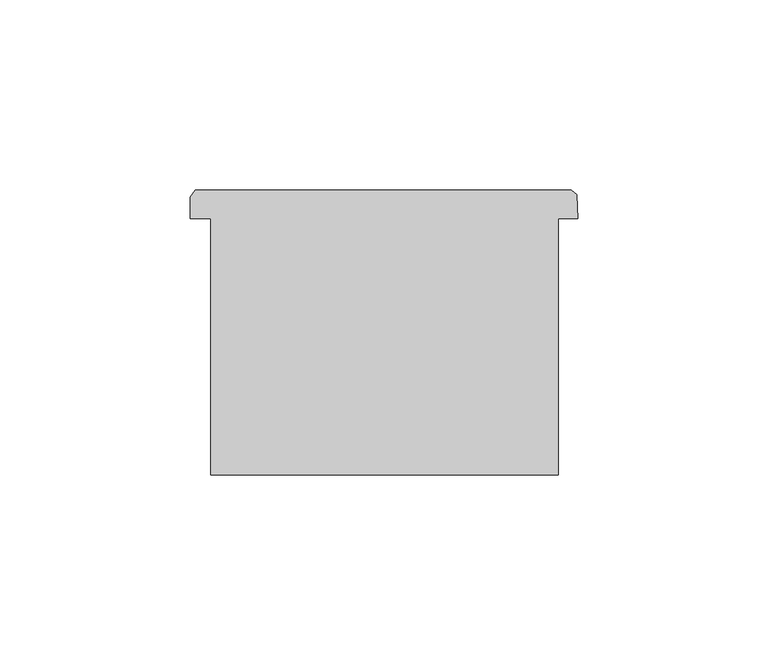
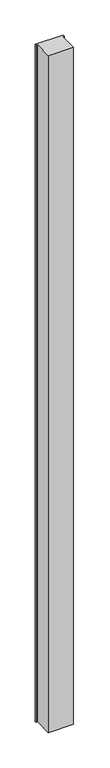
"""IFC4 building model written with IfcOpenShell, lengths in millimetres: column geometry."""

from ifc_helpers import new_model, si_unit, frame, origin, place, context, project, spatial, polyline, outline, extrude, source, transform, mapped, element, save


def column_1a678c5c(model_context):
    return source(origin(), model_context, "Body", "SweptSolid", [
        extrude(outline(polyline([(70513.6246062, -53311.9955094), (70508.5334556, -53311.9955094), (70508.5334556, -53379.2844274), (70417.3266022, -53379.2844274), (70417.3266022, -53311.9955094), (70412.0246062, -53311.9955094), (70412.0246062, -53306.2966384), (70413.2648374, -53304.5293064), (70511.9875, -53304.5293064), (70513.46959, -53305.6082984), (70513.6246062, -53311.9955094)])), frame((0.0, 0.0, 4419.602032), z_axis=(0.0, 0.0, 1.0), x_axis=(1.0, 0.0, 0.0)), (0.0, 0.0, 1.0), 2590.8000811),
        extrude(outline(polyline([(70513.6246062, -53311.9955094), (70508.5334556, -53311.9955094), (70508.5334556, -53379.2844274), (70417.3266022, -53379.2844274), (70417.3266022, -53311.9955094), (70412.0246062, -53311.9955094), (70412.0246062, -53306.2966384), (70413.2648374, -53304.5293064), (70511.9875, -53304.5293064), (70513.46959, -53305.6082984), (70513.6246062, -53311.9955094)])), frame((0.0, 0.0, 4419.602032), z_axis=(0.0, 0.0, 1.0), x_axis=(1.0, 0.0, 0.0)), (0.0, 0.0, 1.0), 2590.8000811),
    ])


if __name__ == "__main__":
    model = new_model("IFC4")
    model_context = context("Model", 3, world=origin())
    ifc_project = project(units=[si_unit("LENGTHUNIT", "METRE", prefix="MILLI")], contexts=[model_context])
    site = spatial("IfcSite", under=ifc_project)
    building = spatial("IfcBuilding", under=site)
    placement = place(None, origin())
    column_shape = column_1a678c5c(model_context)
    element("IfcColumn", 1, at=placement, inside=building, context=model_context, shape_type="MappedRepresentation", body=[
        mapped(column_shape, transform((0.0, 0.0, 0.0), x_axis=(1.0, 0.0, 0.0), y_axis=(0.0, 1.0, 0.0), z_axis=(0.0, 0.0, 1.0))),
    ])
    save(model, "model.ifc")
